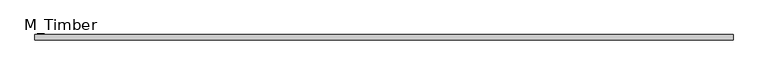
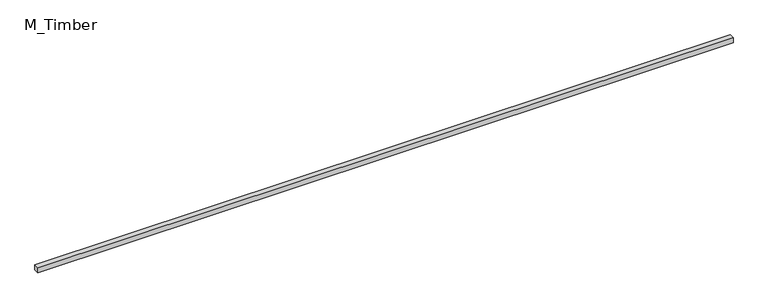
"""IFC4 building model written with IfcOpenShell, lengths in millimetres: beam geometry, M_Timber."""

from ifc_helpers import new_model, si_unit, frame, origin, place, context, project, spatial, polyline, outline, extrude, source, transform, mapped, element, save


def m_timber_3be8a945(model_context):
    return source(origin(), model_context, "Body", "SweptSolid", [
        extrude(outline(polyline([(3953.5467606, 30.0), (3953.5467606, -30.0), (-3953.5467606, -30.0), (-3953.5467606, 30.0), (3953.5467606, 30.0)])), frame((0.0, 0.0, -30.0), z_axis=(0.0, 0.0, 1.0), x_axis=(1.0, 0.0, 0.0)), (0.0, 0.0, 1.0), 60.0),
    ])


if __name__ == "__main__":
    model = new_model("IFC4")
    model_context = context("Model", 3, world=origin())
    ifc_project = project(units=[si_unit("LENGTHUNIT", "METRE", prefix="MILLI")], contexts=[model_context])
    site = spatial("IfcSite", under=ifc_project)
    building = spatial("IfcBuilding", under=site)
    placement = place(None, origin())
    m_timber_shape = m_timber_3be8a945(model_context)
    element("IfcBeam", 1, ObjectType="M_Timber", at=placement, inside=building, context=model_context, shape_type="MappedRepresentation", body=[
        mapped(m_timber_shape, transform((0.0, 0.0, 0.0), x_axis=(1.0, 0.0, 0.0), y_axis=(0.0, 1.0, 0.0), z_axis=(0.0, 0.0, 1.0))),
    ])
    save(model, "model.ifc")
